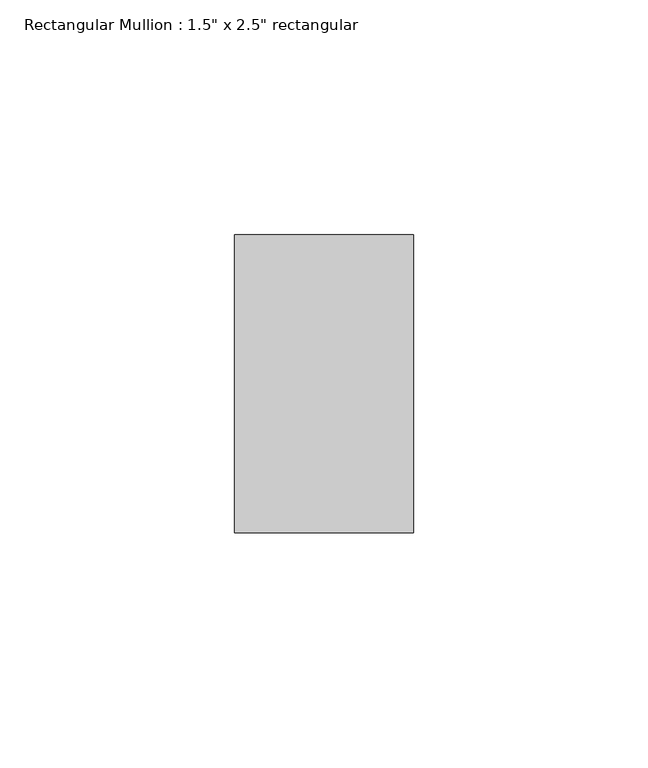
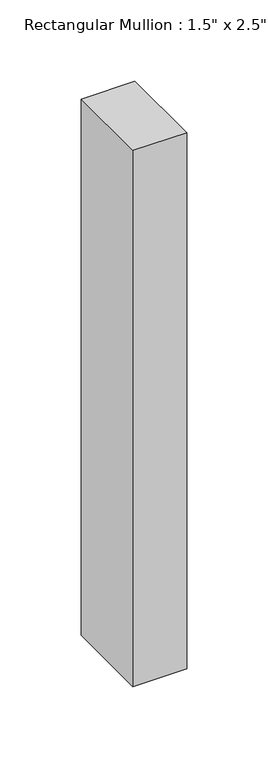
"""IFC4 building model written with IfcOpenShell, lengths in millimetres: member geometry."""

from ifc_helpers import new_model, si_unit, frame, origin, place, context, project, spatial, polyline, outline, extrude, source, transform, mapped, element, save


def member_20a18595(model_context):
    return source(origin(), model_context, "Body", "SweptSolid", [
        extrude(outline(polyline([(0.0, 31.75), (0.0, -31.75), (-38.1, -31.75), (-38.1, 31.75), (0.0, 31.75)])), frame((0.0, 0.0, -402.7714286), z_axis=(0.0, 0.0, 1.0), x_axis=(1.0, 0.0, 0.0)), (0.0, 0.0, 1.0), 402.7714286),
    ])


if __name__ == "__main__":
    model = new_model("IFC4")
    model_context = context("Model", 3, world=origin())
    ifc_project = project(units=[si_unit("LENGTHUNIT", "METRE", prefix="MILLI")], contexts=[model_context])
    site = spatial("IfcSite", under=ifc_project)
    building = spatial("IfcBuilding", under=site)
    placement = place(None, origin())
    member_shape = member_20a18595(model_context)
    element("IfcMember", 1, ObjectType="Rectangular Mullion : 1.5\" x 2.5\" rectangular", at=placement, inside=building, context=model_context, shape_type="MappedRepresentation", body=[
        mapped(member_shape, transform((0.0, 0.0, 0.0), x_axis=(1.0, 0.0, 0.0), y_axis=(0.0, 1.0, 0.0), z_axis=(0.0, 0.0, 1.0))),
    ])
    save(model, "model.ifc")
